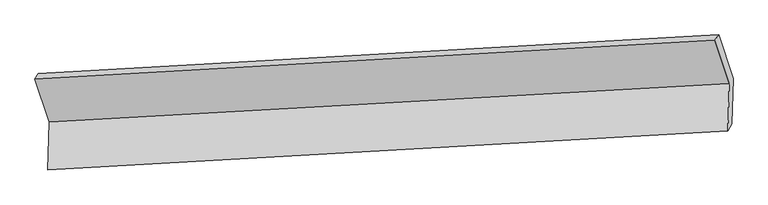
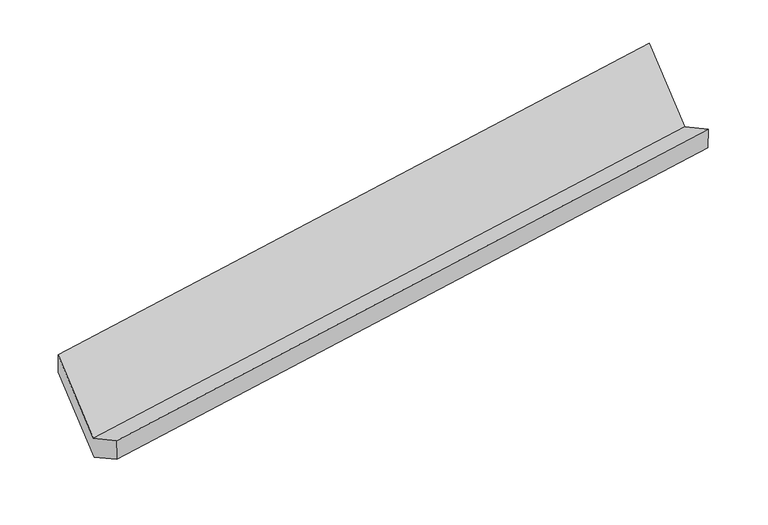
"""IFC4 building model written with IfcOpenShell, lengths in millimetres: proxy geometry."""

from ifc_helpers import new_model, si_unit, frame, origin, place, context, project, spatial, polyline, outline, extrude, source, transform, mapped, element, save


def generic_models_d1cad4c8(model_context):
    return source(origin(), model_context, "Body", "SweptSolid", [
        extrude(outline(polyline([(-141.9815941, -66.7696985), (510.2560294, -66.7696986), (366.0608021, -192.7466607), (-296.1768214, -192.7466606), (-296.1768215, 186.5278782), (-141.9815941, 332.5048403), (-141.9815941, -66.7696985)])), frame((-5343.1414209, -1647.7775292, 1545.8291744), z_axis=(0.9868253665194704, 0.05647816683451186, 0.15161105719810192), x_axis=(-0.15993567566140374, 0.48197466790444377, 0.8614644503107087)), (0.0, 0.0, 1.0), 5030.5195664),
    ])


if __name__ == "__main__":
    model = new_model("IFC4")
    model_context = context("Model", 3, world=origin())
    ifc_project = project(units=[si_unit("LENGTHUNIT", "METRE", prefix="MILLI")], contexts=[model_context])
    site = spatial("IfcSite", under=ifc_project)
    building = spatial("IfcBuilding", under=site)
    placement = place(None, origin())
    generic_models_shape = generic_models_d1cad4c8(model_context)
    element("IfcBuildingElementProxy", 1, Name="Generic Models", at=placement, inside=building, context=model_context, shape_type="MappedRepresentation", body=[
        mapped(generic_models_shape, transform((0.0, 0.0, 0.0), x_axis=(1.0, 0.0, 0.0), y_axis=(0.0, 1.0, 0.0), z_axis=(0.0, 0.0, 1.0))),
    ])
    save(model, "model.ifc")
